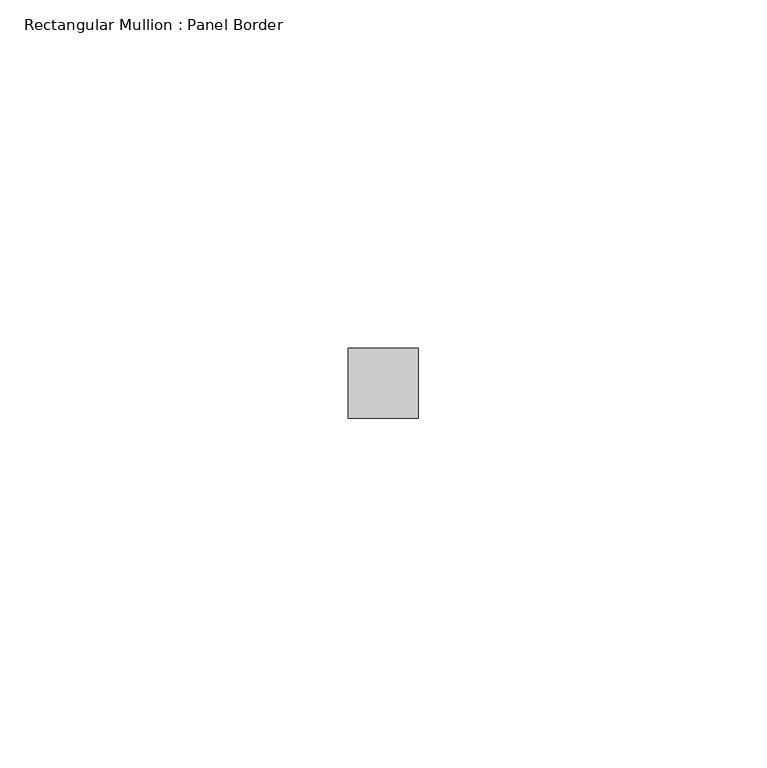
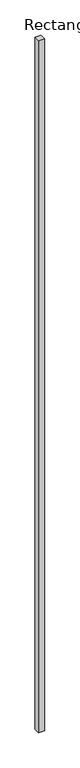
"""IFC4 building model written with IfcOpenShell, lengths in millimetres: member geometry, Rectangular Mullion : Panel Border."""

from ifc_helpers import new_model, si_unit, frame, origin, place, context, project, spatial, polyline, outline, extrude, source, transform, mapped, element, save


def rectangular_mullion_panel_border_3bbc4e2b(model_context):
    return source(origin(), model_context, "Body", "SweptSolid", [
        extrude(outline(polyline([(5.0, 5.5), (5.0, -4.5), (-5.0, -4.5), (-5.0, 5.5), (5.0, 5.5)])), frame((0.0, 0.0, -1197.5), z_axis=(0.0, 0.0, 1.0), x_axis=(1.0, 0.0, 0.0)), (0.0, 0.0, 1.0), 1197.5),
    ])


if __name__ == "__main__":
    model = new_model("IFC4")
    model_context = context("Model", 3, world=origin())
    ifc_project = project(units=[si_unit("LENGTHUNIT", "METRE", prefix="MILLI")], contexts=[model_context])
    site = spatial("IfcSite", under=ifc_project)
    building = spatial("IfcBuilding", under=site)
    placement = place(None, origin())
    rectangular_mullion_panel_border_shape = rectangular_mullion_panel_border_3bbc4e2b(model_context)
    element("IfcMember", 1, ObjectType="Rectangular Mullion : Panel Border", at=placement, inside=building, context=model_context, shape_type="MappedRepresentation", body=[
        mapped(rectangular_mullion_panel_border_shape, transform((0.0, 0.0, 0.0), x_axis=(1.0, 0.0, 0.0), y_axis=(0.0, 1.0, 0.0), z_axis=(0.0, 0.0, 1.0))),
    ])
    save(model, "model.ifc")
